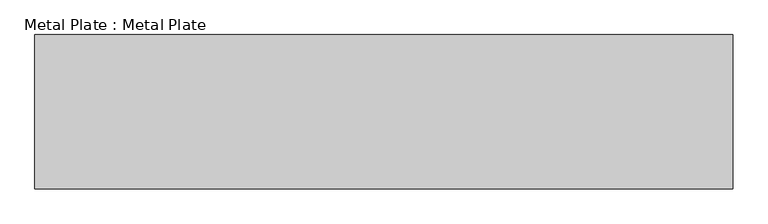
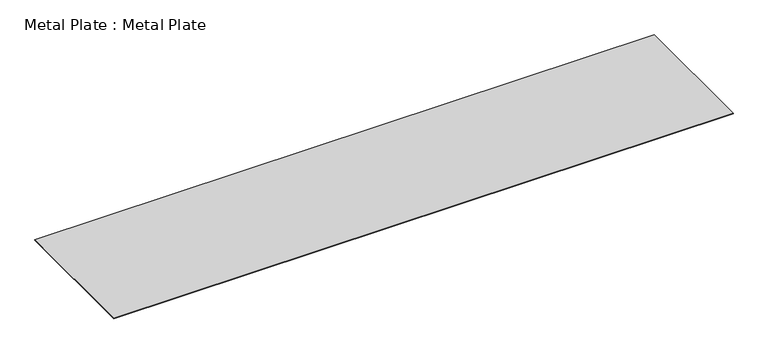
"""IFC4 building model written with IfcOpenShell, lengths in millimetres: proxy geometry, Metal Plate : Metal Plate."""

import ifcopenshell
import ifcopenshell.guid

model = None  # the IFC model being written
_history = None  # IfcOwnerHistory: only IFC2X3 demands one
_inside = {}  # id of a spatial element -> (the spatial element, [elements in it])
_under = {}  # id of a project, library or spatial element -> (it, [spatial elements below it])
_declared = {}  # id of a project -> (the project, [libraries it declares])
_typed = {}  # id of a type object -> (the type object, [elements of that type])
_made_of = {}  # id of a material, layer set ... -> (it, [elements and type objects made of it])


def new_model(schema):
    """Start an empty IFC model of exactly this schema.

    Asked for "IFC4X3", IfcOpenShell would pick the latest addendum, in which some entities
    have other attributes; the version numbers below select the first issue.
    IFC2X3 requires an IfcOwnerHistory on every rooted entity: one is made here for all.
    """
    global model, _history
    if schema == "IFC4X3":
        model = ifcopenshell.file(schema_version=(4, 3, 0, 0))
    else:
        model = ifcopenshell.file(schema=schema)
    _inside.clear()
    _under.clear()
    _declared.clear()
    _typed.clear()
    _made_of.clear()
    _history = None
    if model.schema == "IFC2X3":
        org = make("IfcOrganization", Name="unknown")
        user = make(
            "IfcPersonAndOrganization",
            ThePerson=make("IfcPerson", FamilyName="unknown"),
            TheOrganization=org,
        )
        app = make(
            "IfcApplication",
            ApplicationDeveloper=org,
            Version="unknown",
            ApplicationFullName="unknown",
            ApplicationIdentifier="unknown",
        )
        _history = make(
            "IfcOwnerHistory",
            OwningUser=user,
            OwningApplication=app,
            ChangeAction="ADDED",
            CreationDate=0,
        )
    return model


def make(cls, **values):
    """One entity of the class cls with the attributes given. An attribute that is None is left unset."""
    return model.create_entity(
        cls, **{name: value for name, value in values.items() if value is not None}
    )


def rooted(cls, **values):
    """An entity with a GlobalId (a new one), such as an element, a storey or a relation."""
    return make(cls, GlobalId=ifcopenshell.guid.new(), OwnerHistory=_history, **values)


def si_unit(unit_type, name, prefix=None):
    """IfcSIUnit, for example si_unit("LENGTHUNIT", "METRE", prefix="MILLI")."""
    return make("IfcSIUnit", UnitType=unit_type, Prefix=prefix, Name=name)


def assignment(units):
    """IfcUnitAssignment: the units of a project."""
    return None if units is None else make("IfcUnitAssignment", Units=units)


def point(xyz):
    """IfcCartesianPoint."""
    return None if xyz is None else make("IfcCartesianPoint", Coordinates=xyz)


def direction(xyz):
    """IfcDirection."""
    return None if xyz is None else make("IfcDirection", DirectionRatios=xyz)


def frame(location, z_axis=None, x_axis=None):
    """IfcAxis2Placement3D, a coordinate frame: its origin and axes. An axis left out is left unset."""
    return make(
        "IfcAxis2Placement3D",
        Location=point(location),
        Axis=direction(z_axis),
        RefDirection=direction(x_axis),
    )


def origin():
    """The frame at (0, 0, 0) with its axes left unset."""
    return frame((0.0, 0.0, 0.0))


def origin_with_axes():
    """The frame at (0, 0, 0) with the z axis (0, 0, 1) and the x axis (1, 0, 0) written out."""
    return frame((0.0, 0.0, 0.0), z_axis=(0.0, 0.0, 1.0), x_axis=(1.0, 0.0, 0.0))


def place(relative_to, where):
    """IfcLocalPlacement: puts the frame where relative to a parent placement (None: the world)."""
    return make(
        "IfcLocalPlacement", PlacementRelTo=relative_to, RelativePlacement=where
    )


def context(
    kind, dimensions, precision=None, world=None, true_north=None, identifier=None
):
    """IfcGeometricRepresentationContext, for example the 3D "Model" context."""
    return make(
        "IfcGeometricRepresentationContext",
        ContextIdentifier=identifier,
        ContextType=kind,
        CoordinateSpaceDimension=dimensions,
        Precision=precision,
        WorldCoordinateSystem=world,
        TrueNorth=true_north,
    )


def project(units=None, contexts=None):
    """IfcProject with its units and contexts."""
    return rooted(
        "IfcProject",
        Name="project",
        RepresentationContexts=contexts,
        UnitsInContext=assignment(units),
    )


def spatial(cls, under=None, at=None, **own):
    """A site, building, storey or space (cls), placed at a placement, below another one or the project."""
    s = rooted(cls, ObjectPlacement=at, **own)
    if under is not None:
        _under.setdefault(under.id(), (under, []))[1].append(s)
    return s


def polyline(points):
    """IfcPolyline through the points."""
    return make("IfcPolyline", Points=[point(p) for p in points])


def outline(outer, holes=None, kind="AREA"):
    """IfcArbitraryClosedProfileDef: a profile drawn as a closed curve; with holes, ...WithVoids."""
    if holes is None:
        return make("IfcArbitraryClosedProfileDef", ProfileType=kind, OuterCurve=outer)
    return make(
        "IfcArbitraryProfileDefWithVoids",
        ProfileType=kind,
        OuterCurve=outer,
        InnerCurves=holes,
    )


def extrude(swept, where, along, depth):
    """IfcExtrudedAreaSolid: the profile swept, set in the frame where, extruded along a direction by depth."""
    return make(
        "IfcExtrudedAreaSolid",
        SweptArea=swept,
        Position=where,
        ExtrudedDirection=direction(along),
        Depth=depth,
    )


def shape(context_of_items, identifier, shape_type, items):
    """IfcShapeRepresentation: the items that make up one representation, for example the "Body"."""
    return make(
        "IfcShapeRepresentation",
        ContextOfItems=context_of_items,
        RepresentationIdentifier=identifier,
        RepresentationType=shape_type,
        Items=items,
    )


def source(mapping_origin, context_of_items, identifier, shape_type, items):
    """IfcRepresentationMap: a shape defined once, which mapped items show again and again."""
    return make(
        "IfcRepresentationMap",
        MappingOrigin=mapping_origin,
        MappedRepresentation=shape(context_of_items, identifier, shape_type, items),
    )


def transform(
    local_origin,
    x_axis=None,
    y_axis=None,
    z_axis=None,
    scale=None,
    scale2=None,
    scale3=None,
    uniform=True,
):
    """IfcCartesianTransformationOperator3D, or its non-uniform kind. x_axis, y_axis, z_axis: its Axis1, 2, 3."""
    if uniform:
        return make(
            "IfcCartesianTransformationOperator3D",
            Axis1=direction(x_axis),
            Axis2=direction(y_axis),
            LocalOrigin=point(local_origin),
            Scale=scale,
            Axis3=direction(z_axis),
        )
    return make(
        "IfcCartesianTransformationOperator3DnonUniform",
        Axis1=direction(x_axis),
        Axis2=direction(y_axis),
        LocalOrigin=point(local_origin),
        Scale=scale,
        Axis3=direction(z_axis),
        Scale2=scale2,
        Scale3=scale3,
    )


def mapped(mapping_source, mapping_target):
    """IfcMappedItem: shows the shape of a source again, moved by a transform."""
    return make(
        "IfcMappedItem", MappingSource=mapping_source, MappingTarget=mapping_target
    )


def made_of(thing, what):
    """Note that an element or type object is made of a material, layer set ...; save() writes the relation."""
    if what is not None:
        _made_of.setdefault(what.id(), (what, []))[1].append(thing)
    return thing


def element(
    cls,
    number,
    at=None,
    inside=None,
    cuts=None,
    type_object=None,
    material=None,
    context=None,
    identifier="Body",
    shape_type=None,
    held_by="IfcProductDefinitionShape",
    body=None,
    shapes=None,
    **own,
):
    """One element of the class cls, such as IfcWall. Its Tag is "e" and its number.

    at: its placement. inside: the storey or other place that contains it. cuts: it is an
    opening in that element (IfcRelVoidsElement). A single representation is given by context,
    identifier, shape_type and body (its items); several are given by shapes. held_by: the class
    of the entity that holds the representations. save() writes the other relations.
    """
    e = rooted(cls, Tag="e%d" % number, ObjectPlacement=at, **own)
    if body is not None:
        shapes = [shape(context, identifier, shape_type, body)]
    if shapes is not None:
        e.Representation = make(held_by, Representations=shapes)
    if inside is not None:
        _inside.setdefault(inside.id(), (inside, []))[1].append(e)
    if cuts is not None:
        rooted(
            "IfcRelVoidsElement", RelatingBuildingElement=cuts, RelatedOpeningElement=e
        )
    if type_object is not None:
        _typed.setdefault(type_object.id(), (type_object, []))[1].append(e)
    return made_of(e, material)


def aggregate(whole, parts):
    """IfcRelAggregates: a whole, such as a stair, and the parts it consists of."""
    return rooted("IfcRelAggregates", RelatingObject=whole, RelatedObjects=parts)


def save(model, path):
    """Write the relations noted so far, then the file.

    IfcRelAggregates (storeys below a building ...), IfcRelContainedInSpatialStructure (elements
    in a storey), IfcRelDefinesByType, IfcRelAssociatesMaterial and IfcRelDeclares: one each for
    every whole, place, type object, material and project.
    """
    for whole, parts in _under.values():
        aggregate(whole, parts)
    for where, things in _inside.values():
        rooted(
            "IfcRelContainedInSpatialStructure",
            RelatedElements=things,
            RelatingStructure=where,
        )
    for kind, things in _typed.values():
        rooted("IfcRelDefinesByType", RelatedObjects=things, RelatingType=kind)
    for what, things in _made_of.values():
        rooted("IfcRelAssociatesMaterial", RelatedObjects=things, RelatingMaterial=what)
    for by, libraries in _declared.values():
        rooted("IfcRelDeclares", RelatingContext=by, RelatedDefinitions=libraries)
    model.write(path)


def metal_plate_metal_plate_f2049396(model_context):
    return source(origin(), model_context, "Body", "SweptSolid", [
        extrude(outline(polyline([(-4000.0, -1769.0), (-4000.0, 0.0), (4000.0, 0.0), (4000.0, -1769.0), (-4000.0, -1769.0)])), origin_with_axes(), (0.0, 0.0, 1.0), 6.0),
    ])


if __name__ == "__main__":
    model = new_model("IFC4")
    model_context = context("Model", 3, world=origin())
    ifc_project = project(units=[si_unit("LENGTHUNIT", "METRE", prefix="MILLI")], contexts=[model_context])
    site = spatial("IfcSite", under=ifc_project)
    building = spatial("IfcBuilding", under=site)
    placement = place(None, origin())
    metal_plate_metal_plate_shape = metal_plate_metal_plate_f2049396(model_context)
    element("IfcBuildingElementProxy", 1, Name="Metal Plate : Metal Plate", ObjectType="Metal Plate : Metal Plate", at=placement, inside=building, context=model_context, shape_type="MappedRepresentation", body=[
        mapped(metal_plate_metal_plate_shape, transform((0.0, 0.0, 0.0), x_axis=(1.0, 0.0, 0.0), y_axis=(0.0, 1.0, 0.0), z_axis=(0.0, 0.0, 1.0))),
    ])
    save(model, "model.ifc")
